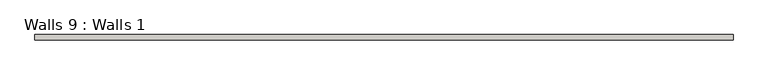
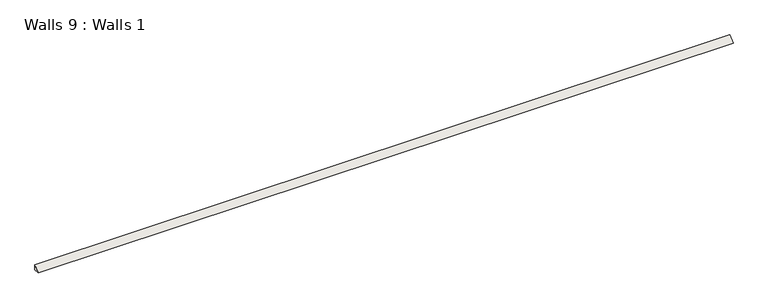
"""IFC4 building model written with IfcOpenShell, lengths in millimetres: wall geometry, Walls 9 : Walls 1."""

from ifc_helpers import new_model, si_unit, frame, origin, place, context, project, spatial, polyline, outline, extrude, source, transform, mapped, element, save


def walls_9_walls_1_85ef33df(model_context):
    return source(origin(), model_context, "Body", "SweptSolid", [
        extrude(outline(polyline([(1780.9194239, 19.05), (1780.9194239, 0.0), (1761.8694239, 0.0), (1780.9194239, 19.05)])), frame((1494.8594388, 0.0, 0.0), z_axis=(1.0, 0.0, 0.0), x_axis=(0.0, 1.0, 0.0)), (0.0, 0.0, 1.0), 2438.4),
    ])


if __name__ == "__main__":
    model = new_model("IFC4")
    model_context = context("Model", 3, world=origin())
    ifc_project = project(units=[si_unit("LENGTHUNIT", "METRE", prefix="MILLI")], contexts=[model_context])
    site = spatial("IfcSite", under=ifc_project)
    building = spatial("IfcBuilding", under=site)
    placement = place(None, origin())
    walls_9_walls_1_shape = walls_9_walls_1_85ef33df(model_context)
    element("IfcWall", 1, ObjectType="Walls 9 : Walls 1", at=placement, inside=building, context=model_context, shape_type="MappedRepresentation", body=[
        mapped(walls_9_walls_1_shape, transform((0.0, 0.0, 0.0), x_axis=(1.0, 0.0, 0.0), y_axis=(0.0, 1.0, 0.0), z_axis=(0.0, 0.0, 1.0))),
    ])
    save(model, "model.ifc")
